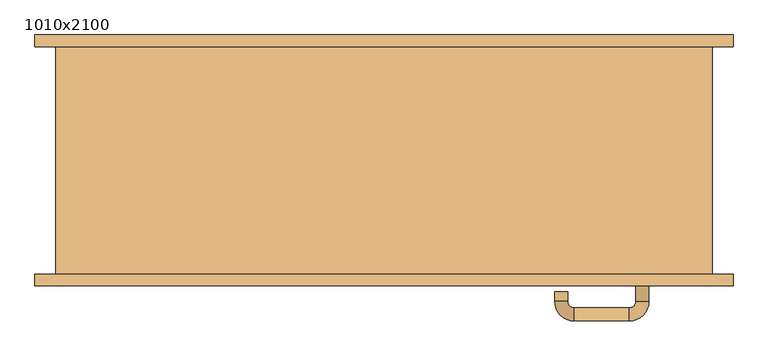
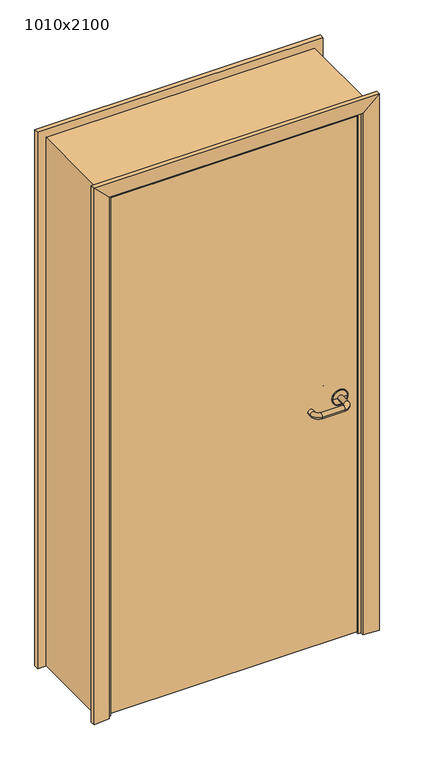
"""IFC4 building model written with IfcOpenShell, lengths in millimetres: door geometry, 1010x2100."""

from ifc_helpers import new_model, si_unit, point, frame, origin, place, context, project, spatial, polyline, circle_curve, ellipse_curve, trimmed, outline, extrude, faceted_brep, source, transform, mapped, element, save
from ifc_brep_helpers import plane_surface, cylinder_surface, revolved_surface, advanced_brep


def door_1010x2100_58f37cdd(model_context):
    return source(origin(), model_context, "Body", "SolidModel", [
        advanced_brep(
        [(407.5389275, -175.0, 965.0), (387.5389275, -175.0, 965.0), (407.5389275, -216.7730895, 965.0), (387.5389275, -216.7730895, 965.0), (377.5389275, -246.7730895, 965.0), (377.5389275, -226.7730895, 965.0), (292.5389265, -246.7730895, 965.0), (292.5389265, -226.7730895, 965.0), (262.5389265, -216.7730895, 965.0), (282.5389265, -216.7730895, 965.0), (262.5389265, -201.7730887, 965.0), (282.5389265, -201.7730887, 965.0)],
        [
            (0, 1, circle_curve(frame((397.5389275, -175.0, 965.0), z_axis=(0.0, 1.0, 0.0), x_axis=(-1.0, 0.0, 0.0)), 10.0)),
            (1, 0, circle_curve(frame((397.5389275, -175.0, 965.0), z_axis=(0.0, 1.0, 0.0), x_axis=(-1.0, 0.0, 0.0)), 10.0)),
            (0, 2),
            (2, 3, circle_curve(frame((397.5389275, -216.7730895, 965.0), z_axis=(0.0, 1.0, 0.0), x_axis=(-1.0, 0.0, 0.0)), 10.0)),
            (3, 1),
            (3, 2, circle_curve(frame((397.5389275, -216.7730895, 965.0), z_axis=(0.0, 1.0, 0.0), x_axis=(-1.0, 0.0, 0.0)), 10.0)),
            (4, 5, circle_curve(frame((377.5389275, -236.7730895, 965.0), z_axis=(1.0, 0.0, 0.0), x_axis=(0.0, 1.0, 0.0)), 10.0)),
            (5, 3, circle_curve(frame((377.5389275, -216.7730895, 965.0), z_axis=(0.0, 0.0, 1.0), x_axis=(1.0, 0.0, 0.0)), 10.0)),
            (2, 4, circle_curve(frame((377.5389275, -216.7730895, 965.0), z_axis=(0.0, 0.0, -1.0), x_axis=(1.0, 0.0, 0.0)), 30.0)),
            (5, 4, circle_curve(frame((377.5389275, -236.7730895, 965.0), z_axis=(1.0, 0.0, 0.0), x_axis=(0.0, 1.0, 0.0)), 10.0)),
            (4, 6),
            (6, 7, circle_curve(frame((292.5389265, -236.7730895, 965.0), z_axis=(1.0, 0.0, 0.0), x_axis=(0.0, 1.0, 0.0)), 10.0)),
            (7, 5),
            (7, 6, circle_curve(frame((292.5389265, -236.7730895, 965.0), z_axis=(1.0, 0.0, 0.0), x_axis=(0.0, 1.0, 0.0)), 10.0)),
            (8, 9, circle_curve(frame((272.5389265, -216.7730895, 965.0), z_axis=(0.0, -1.0, 0.0), x_axis=(1.0, 0.0, 0.0)), 10.0)),
            (9, 7, circle_curve(frame((292.5389265, -216.7730895, 965.0), z_axis=(0.0, 0.0, 1.0), x_axis=(0.0, -1.0, 0.0)), 10.0)),
            (6, 8, circle_curve(frame((292.5389265, -216.7730895, 965.0), z_axis=(0.0, 0.0, -1.0), x_axis=(0.0, -1.0, 0.0)), 30.0)),
            (9, 8, circle_curve(frame((272.5389265, -216.7730895, 965.0), z_axis=(0.0, -1.0, 0.0), x_axis=(1.0, 0.0, 0.0)), 10.0)),
            (10, 11, circle_curve(frame((272.5389265, -201.7730887, 965.0), z_axis=(0.0, 1.0, 0.0), x_axis=(1.0, 0.0, 0.0)), 10.0)),
            (11, 10, circle_curve(frame((272.5389265, -201.7730887, 965.0), z_axis=(0.0, 1.0, 0.0), x_axis=(1.0, 0.0, 0.0)), 10.0)),
            (8, 10),
            (11, 9),
        ],
        [
            plane_surface(frame((397.5389275, -175.0, 965.0), z_axis=(0.0, 1.0, 0.0), x_axis=(0.0, 0.0, 1.0))),
            cylinder_surface(frame((397.5389275, -175.0, 965.0), z_axis=(0.0, 1.0, 0.0), x_axis=(-1.0, 0.0, 0.0)), 10.0),
            revolved_surface(trimmed(ellipse_curve(frame((397.5389275, -216.7730895, 965.0), z_axis=(0.0, -1.0, 0.0), x_axis=(-1.0, 0.0, 0.0)), 10.0, 10.0), [point((387.5389275, -216.7730895, 965.0))], [point((407.5389275, -216.7730895, 965.0))], True, "CARTESIAN"), (377.5389275, -216.7730895, 965.0), (0.0, 0.0, 1.0)),
            revolved_surface(trimmed(ellipse_curve(frame((397.5389275, -216.7730895, 965.0), z_axis=(0.0, -1.0, 0.0), x_axis=(-1.0, 0.0, 0.0)), 10.0, 10.0), [point((407.5389275, -216.7730895, 965.0))], [point((387.5389275, -216.7730895, 965.0))], True, "CARTESIAN"), (377.5389275, -216.7730895, 965.0), (0.0, 0.0, 1.0)),
            cylinder_surface(frame((377.5389275, -236.7730895, 965.0), z_axis=(1.0, 0.0, 0.0), x_axis=(0.0, 1.0, 0.0)), 10.0),
            revolved_surface(trimmed(ellipse_curve(frame((292.5389265, -236.7730895, 965.0), z_axis=(-1.0, 0.0, 0.0), x_axis=(0.0, 1.0, 0.0)), 10.0, 10.0), [point((292.5389265, -226.7730895, 965.0))], [point((292.5389265, -246.7730895, 965.0))], True, "CARTESIAN"), (292.5389265, -216.7730895, 965.0), (0.0, 0.0, 1.0)),
            revolved_surface(trimmed(ellipse_curve(frame((292.5389265, -236.7730895, 965.0), z_axis=(-1.0, 0.0, 0.0), x_axis=(0.0, 1.0, 0.0)), 10.0, 10.0), [point((292.5389265, -246.7730895, 965.0))], [point((292.5389265, -226.7730895, 965.0))], True, "CARTESIAN"), (292.5389265, -216.7730895, 965.0), (0.0, 0.0, 1.0)),
            plane_surface(frame((272.5389265, -201.7730887, 965.0), z_axis=(0.0, 1.0, 0.0), x_axis=(0.0, 0.0, 1.0))),
            cylinder_surface(frame((272.5389265, -216.7730895, 965.0), z_axis=(0.0, -1.0, 0.0), x_axis=(1.0, 0.0, 0.0)), 10.0),
        ],
        [
            (0, [[1, 2]]),
            (1, [[3, 4, 5, -1]]),
            (1, [[-5, 6, -3, -2]]),
            (2, [[7, 8, -4, 9]]),
            (3, [[10, -9, -6, -8]]),
            (4, [[11, 12, 13, -7]]),
            (4, [[-13, 14, -11, -10]]),
            (5, [[15, 16, -12, 17]]),
            (6, [[18, -17, -14, -16]]),
            (7, [[19, 20]]),
            (8, [[21, -20, 22, -15]]),
            (8, [[-22, -19, -21, -18]]),
        ],
    ),
        advanced_brep(
        [(397.5389275, -175.0, 965.0), (427.5389268, -175.0, 965.0), (367.5389281, -175.0, 965.0), (427.5389268, -175.819943, 965.0), (367.5389281, -175.819943, 965.0), (424.5857807, -178.7730891, 965.0), (397.5389275, -178.7730891, 965.0), (370.4920742, -178.7730891, 965.0)],
        [
            (0, 1),
            (1, 2, circle_curve(frame((397.5389275, -175.0, 965.0), z_axis=(0.0, 1.0, 0.0), x_axis=(-1.0, 0.0, 0.0)), 29.9999993)),
            (2, 0),
            (2, 1, circle_curve(frame((397.5389275, -175.0, 965.0), z_axis=(0.0, 1.0, 0.0), x_axis=(-1.0, 0.0, 0.0)), 29.9999993)),
            (1, 3),
            (3, 4, circle_curve(frame((397.5389275, -175.819943, 965.0), z_axis=(0.0, 1.0, 0.0), x_axis=(-1.0, 0.0, 0.0)), 29.9999993)),
            (4, 2),
            (4, 3, circle_curve(frame((397.5389275, -175.819943, 965.0), z_axis=(0.0, 1.0, 0.0), x_axis=(-1.0, 0.0, 0.0)), 29.9999993)),
            (5, 6),
            (6, 7),
            (7, 5, circle_curve(frame((397.5389275, -178.7730891, 965.0), z_axis=(0.0, -1.0, 0.0), x_axis=(-1.0, 0.0, 0.0)), 27.0468532)),
            (5, 7, circle_curve(frame((397.5389275, -178.7730891, 965.0), z_axis=(0.0, -1.0, 0.0), x_axis=(-1.0, 0.0, 0.0)), 27.0468532)),
            (3, 5, circle_curve(frame((424.5857807, -175.819943, 965.0), z_axis=(0.0, 0.0, -1.0), x_axis=(-1.0, 0.0, 0.0)), 2.9531461)),
            (7, 4, circle_curve(frame((370.4920742, -175.819943, 965.0), z_axis=(0.0, 0.0, -1.0), x_axis=(1.0, 0.0, 0.0)), 2.9531461)),
        ],
        [
            plane_surface(frame((397.5389275, -175.0, 965.0), z_axis=(0.0, 1.0, 0.0), x_axis=(-1.0, 0.0, 0.0))),
            cylinder_surface(frame((397.5389275, -175.0, 965.0), z_axis=(0.0, 1.0, 0.0), x_axis=(-1.0, 0.0, 0.0)), 29.9999993),
            plane_surface(frame((397.5389275, -178.7730891, 965.0), z_axis=(0.0, -1.0, 0.0), x_axis=(-1.0, 0.0, 0.0))),
            revolved_surface(trimmed(ellipse_curve(frame((370.4920742, -175.819943, 965.0), z_axis=(0.0, 0.0, -1.0), x_axis=(1.0, 0.0, 0.0)), 2.9531461, 2.9531461), [point((370.4920742, -178.7730891, 965.0))], [point((367.5389281, -175.819943, 965.0))], True, "CARTESIAN"), (397.5389275, -175.0, 965.0), (0.0, 1.0, 0.0)),
        ],
        [
            (0, [[1, 2, 3]]),
            (0, [[-3, 4, -1]]),
            (1, [[5, 6, 7, -2]]),
            (1, [[-7, 8, -5, -4]]),
            (2, [[9, 10, 11]]),
            (2, [[-10, -9, 12]]),
            (3, [[13, -11, 14, -6]]),
            (3, [[-14, -12, -13, -8]]),
        ],
    ),
        advanced_brep(
        [(407.5389275, -135.0, 965.0), (387.5389275, -135.0, 965.0), (387.5389275, -93.2269106, 965.0), (407.5389275, -93.2269106, 965.0), (377.5389275, -83.2269106, 965.0), (377.5389275, -63.2269106, 965.0), (292.5389265, -83.2269106, 965.0), (292.5389265, -63.2269106, 965.0), (282.5389265, -93.2269106, 965.0), (262.5389265, -93.2269106, 965.0), (262.5389265, -108.2269113, 965.0), (282.5389265, -108.2269113, 965.0)],
        [
            (0, 1, circle_curve(frame((397.5389275, -135.0, 965.0), z_axis=(0.0, -1.0, 0.0), x_axis=(-1.0, 0.0, 0.0)), 10.0)),
            (1, 0, circle_curve(frame((397.5389275, -135.0, 965.0), z_axis=(0.0, -1.0, 0.0), x_axis=(-1.0, 0.0, 0.0)), 10.0)),
            (1, 2),
            (2, 3, circle_curve(frame((397.5389275, -93.2269106, 965.0), z_axis=(0.0, -1.0, 0.0), x_axis=(-1.0, 0.0, 0.0)), 10.0)),
            (3, 0),
            (3, 2, circle_curve(frame((397.5389275, -93.2269106, 965.0), z_axis=(0.0, -1.0, 0.0), x_axis=(-1.0, 0.0, 0.0)), 10.0)),
            (4, 5, circle_curve(frame((377.5389275, -73.2269106, 965.0), z_axis=(1.0, 0.0, 0.0), x_axis=(0.0, -1.0, 0.0)), 10.0)),
            (5, 3, circle_curve(frame((377.5389275, -93.2269106, 965.0), z_axis=(0.0, 0.0, -1.0), x_axis=(1.0, 0.0, 0.0)), 30.0)),
            (2, 4, circle_curve(frame((377.5389275, -93.2269106, 965.0), z_axis=(0.0, 0.0, 1.0), x_axis=(1.0, 0.0, 0.0)), 10.0)),
            (5, 4, circle_curve(frame((377.5389275, -73.2269106, 965.0), z_axis=(1.0, 0.0, 0.0), x_axis=(0.0, -1.0, 0.0)), 10.0)),
            (4, 6),
            (6, 7, circle_curve(frame((292.5389265, -73.2269106, 965.0), z_axis=(1.0, 0.0, 0.0), x_axis=(0.0, -1.0, 0.0)), 10.0)),
            (7, 5),
            (7, 6, circle_curve(frame((292.5389265, -73.2269106, 965.0), z_axis=(1.0, 0.0, 0.0), x_axis=(0.0, -1.0, 0.0)), 10.0)),
            (8, 9, circle_curve(frame((272.5389265, -93.2269106, 965.0), z_axis=(0.0, 1.0, 0.0), x_axis=(1.0, 0.0, 0.0)), 10.0)),
            (9, 7, circle_curve(frame((292.5389265, -93.2269106, 965.0), z_axis=(0.0, 0.0, -1.0), x_axis=(0.0, 1.0, 0.0)), 30.0)),
            (6, 8, circle_curve(frame((292.5389265, -93.2269106, 965.0), z_axis=(0.0, 0.0, 1.0), x_axis=(0.0, 1.0, 0.0)), 10.0)),
            (9, 8, circle_curve(frame((272.5389265, -93.2269106, 965.0), z_axis=(0.0, 1.0, 0.0), x_axis=(1.0, 0.0, 0.0)), 10.0)),
            (10, 11, circle_curve(frame((272.5389265, -108.2269113, 965.0), z_axis=(0.0, -1.0, 0.0), x_axis=(1.0, 0.0, 0.0)), 10.0)),
            (11, 10, circle_curve(frame((272.5389265, -108.2269113, 965.0), z_axis=(0.0, -1.0, 0.0), x_axis=(1.0, 0.0, 0.0)), 10.0)),
            (8, 11),
            (10, 9),
        ],
        [
            plane_surface(frame((397.5389275, -135.0, 965.0), z_axis=(0.0, -1.0, 0.0), x_axis=(0.0, 0.0, 1.0))),
            cylinder_surface(frame((397.5389275, -135.0, 965.0), z_axis=(0.0, -1.0, 0.0), x_axis=(-1.0, 0.0, 0.0)), 10.0),
            revolved_surface(trimmed(ellipse_curve(frame((397.5389275, -93.2269106, 965.0), z_axis=(0.0, 1.0, 0.0), x_axis=(-1.0, 0.0, 0.0)), 10.0, 10.0), [point((407.5389275, -93.2269106, 965.0))], [point((387.5389275, -93.2269106, 965.0))], True, "CARTESIAN"), (377.5389275, -93.2269106, 965.0), (0.0, 0.0, -1.0)),
            revolved_surface(trimmed(ellipse_curve(frame((397.5389275, -93.2269106, 965.0), z_axis=(0.0, 1.0, 0.0), x_axis=(-1.0, 0.0, 0.0)), 10.0, 10.0), [point((387.5389275, -93.2269106, 965.0))], [point((407.5389275, -93.2269106, 965.0))], True, "CARTESIAN"), (377.5389275, -93.2269106, 965.0), (0.0, 0.0, -1.0)),
            cylinder_surface(frame((377.5389275, -73.2269106, 965.0), z_axis=(1.0, 0.0, 0.0), x_axis=(0.0, -1.0, 0.0)), 10.0),
            revolved_surface(trimmed(ellipse_curve(frame((292.5389265, -73.2269106, 965.0), z_axis=(-1.0, 0.0, 0.0), x_axis=(0.0, -1.0, 0.0)), 10.0, 10.0), [point((292.5389265, -63.2269106, 965.0))], [point((292.5389265, -83.2269106, 965.0))], True, "CARTESIAN"), (292.5389265, -93.2269106, 965.0), (0.0, 0.0, -1.0)),
            revolved_surface(trimmed(ellipse_curve(frame((292.5389265, -73.2269106, 965.0), z_axis=(-1.0, 0.0, 0.0), x_axis=(0.0, -1.0, 0.0)), 10.0, 10.0), [point((292.5389265, -83.2269106, 965.0))], [point((292.5389265, -63.2269106, 965.0))], True, "CARTESIAN"), (292.5389265, -93.2269106, 965.0), (0.0, 0.0, -1.0)),
            plane_surface(frame((272.5389265, -108.2269113, 965.0), z_axis=(0.0, -1.0, 0.0), x_axis=(0.0, 0.0, 1.0))),
            cylinder_surface(frame((272.5389265, -93.2269106, 965.0), z_axis=(0.0, 1.0, 0.0), x_axis=(1.0, 0.0, 0.0)), 10.0),
        ],
        [
            (0, [[1, 2]]),
            (1, [[3, 4, 5, -2]]),
            (1, [[-5, 6, -3, -1]]),
            (2, [[7, 8, -4, 9]]),
            (3, [[10, -9, -6, -8]]),
            (4, [[11, 12, 13, -7]]),
            (4, [[-13, 14, -11, -10]]),
            (5, [[15, 16, -12, 17]]),
            (6, [[18, -17, -14, -16]]),
            (7, [[19, 20]]),
            (8, [[21, -19, 22, -15]]),
            (8, [[-22, -20, -21, -18]]),
        ],
    ),
        advanced_brep(
        [(427.5389268, -135.0, 965.0), (397.5389275, -135.0, 965.0), (367.5389281, -135.0, 965.0), (427.5389268, -134.180057, 965.0), (367.5389281, -134.180057, 965.0), (397.5389275, -131.2269109, 965.0), (424.5857807, -131.2269109, 965.0), (370.4920742, -131.2269109, 965.0)],
        [
            (0, 1),
            (1, 2),
            (2, 0, circle_curve(frame((397.5389275, -135.0, 965.0), z_axis=(0.0, -1.0, 0.0), x_axis=(-1.0, 0.0, 0.0)), 29.9999993)),
            (0, 2, circle_curve(frame((397.5389275, -135.0, 965.0), z_axis=(0.0, -1.0, 0.0), x_axis=(-1.0, 0.0, 0.0)), 29.9999993)),
            (3, 0),
            (2, 4),
            (4, 3, circle_curve(frame((397.5389275, -134.180057, 965.0), z_axis=(0.0, -1.0, 0.0), x_axis=(-1.0, 0.0, 0.0)), 29.9999993)),
            (3, 4, circle_curve(frame((397.5389275, -134.180057, 965.0), z_axis=(0.0, -1.0, 0.0), x_axis=(-1.0, 0.0, 0.0)), 29.9999993)),
            (5, 6),
            (6, 7, circle_curve(frame((397.5389275, -131.2269109, 965.0), z_axis=(0.0, 1.0, 0.0), x_axis=(-1.0, 0.0, 0.0)), 27.0468532)),
            (7, 5),
            (7, 6, circle_curve(frame((397.5389275, -131.2269109, 965.0), z_axis=(0.0, 1.0, 0.0), x_axis=(-1.0, 0.0, 0.0)), 27.0468532)),
            (6, 3, circle_curve(frame((424.5857807, -134.180057, 965.0), z_axis=(0.0, 0.0, -1.0), x_axis=(-1.0, 0.0, 0.0)), 2.9531461)),
            (4, 7, circle_curve(frame((370.4920742, -134.180057, 965.0), z_axis=(0.0, 0.0, -1.0), x_axis=(1.0, 0.0, 0.0)), 2.9531461)),
        ],
        [
            plane_surface(frame((397.5389275, -135.0, 965.0), z_axis=(0.0, -1.0, 0.0), x_axis=(-1.0, 0.0, 0.0))),
            cylinder_surface(frame((397.5389275, -135.0, 965.0), z_axis=(0.0, 1.0, 0.0), x_axis=(-1.0, 0.0, 0.0)), 29.9999993),
            plane_surface(frame((397.5389275, -131.2269109, 965.0), z_axis=(0.0, 1.0, 0.0), x_axis=(-1.0, 0.0, 0.0))),
            revolved_surface(trimmed(ellipse_curve(frame((370.4920742, -134.180057, 965.0), z_axis=(0.0, 0.0, -1.0), x_axis=(1.0, 0.0, 0.0)), 2.9531461, 2.9531461), [point((367.5389281, -134.180057, 965.0))], [point((370.4920742, -131.2269109, 965.0))], True, "CARTESIAN"), (397.5389275, -135.0, 965.0), (0.0, 1.0, 0.0)),
        ],
        [
            (0, [[1, 2, 3]]),
            (0, [[-2, -1, 4]]),
            (1, [[5, -3, 6, 7]]),
            (1, [[-6, -4, -5, 8]]),
            (2, [[9, 10, 11]]),
            (2, [[-11, 12, -9]]),
            (3, [[13, -7, 14, -10]]),
            (3, [[-14, -8, -13, -12]]),
        ],
    ),
        extrude(outline(polyline([(462.5389275, -175.0), (-462.538929, -175.0), (-462.538929, -135.0), (462.5389275, -135.0), (462.5389275, -175.0)])), frame((0.0, 0.0, 10.0), z_axis=(0.0, 0.0, 1.0), x_axis=(1.0, 0.0, 0.0)), (0.0, 0.0, 1.0), 2047.0),
        advanced_brep(
        [(505.0, 175.0, 0.0), (505.0, -175.0, 0.0), (465.0389382, -175.0, 0.0), (465.0389382, -132.9643213, 0.0), (452.938932, -132.9643213, 0.0), (452.938932, -95.0651318, 0.0), (459.0397424, -88.9643215, 0.0), (465.0389382, -88.9643215, 0.0), (465.0389382, 175.0, 0.0), (465.0389382, 175.0, 2060.0389382), (-465.0389382, 175.0, 2060.0389382), (-465.0389382, 175.0, 0.0), (-505.0, 175.0, 0.0), (-505.0, 175.0, 2100.0), (505.0, 175.0, 2100.0), (465.0389382, -88.9643215, 2060.0389382), (459.0397424, -88.9643215, 2054.0397424), (-459.0397424, -88.9643215, 2054.0397424), (-459.0397424, -88.9643215, 0.0), (-465.0389382, -88.9643215, 0.0), (-465.0389382, -88.9643215, 2060.0389382), (452.938932, -95.0651318, 2047.938932), (452.938932, -132.9643213, 2047.938932), (465.0389382, -132.9643213, 2060.0389382), (-465.0389382, -132.9643213, 2060.0389382), (-465.0389382, -132.9643213, 0.0), (-452.938932, -132.9643213, 0.0), (-452.938932, -132.9643213, 2047.938932), (465.0389382, -175.0, 2060.0389382), (505.0, -175.0, 2100.0), (-452.938932, -95.0651318, 2047.938932), (-465.0389382, -175.0, 2060.0389382), (-505.0, -175.0, 2100.0), (-452.938932, -95.0651318, 0.0), (-465.0389382, -175.0, 0.0), (-505.0, -175.0, 0.0)],
        [
            (0, 1),
            (1, 2),
            (2, 3),
            (3, 4),
            (4, 5),
            (5, 6, circle_curve(frame((459.0397424, -95.0651318, 0.0), z_axis=(0.0, 0.0, -1.0), x_axis=(-1.0, 0.0, 0.0)), 6.1008103)),
            (6, 7),
            (7, 8),
            (8, 0),
            (8, 9),
            (9, 10),
            (10, 11),
            (11, 12),
            (12, 13),
            (13, 14),
            (14, 0),
            (7, 15),
            (15, 9),
            (6, 16),
            (16, 17),
            (17, 18),
            (18, 19),
            (19, 20),
            (20, 15),
            (5, 21),
            (21, 16, ellipse_curve(frame((459.0397424, -95.0651318, 2054.0397424), z_axis=(0.7071067811865475, 0.0, -0.7071067811865475), x_axis=(-0.7071067811865474, 0.0, -0.7071067811865476)), 8.6278487, 6.1008103)),
            (4, 22),
            (22, 21),
            (3, 23),
            (23, 24),
            (24, 25),
            (25, 26),
            (26, 27),
            (27, 22),
            (2, 28),
            (28, 23),
            (14, 29),
            (29, 1),
            (20, 10),
            (21, 30),
            (30, 17, ellipse_curve(frame((-459.0397424, -95.0651318, 2054.0397424), z_axis=(0.7071067811865475, 0.0, 0.7071067811865475), x_axis=(0.7071067811865476, 0.0, -0.7071067811865474)), 8.6278487, 6.1008103)),
            (27, 30),
            (28, 31),
            (31, 24),
            (13, 32),
            (32, 29),
            (11, 19),
            (18, 33, circle_curve(frame((-459.0397424, -95.0651318, 0.0), z_axis=(0.0, 0.0, -1.0), x_axis=(1.0, 0.0, 0.0)), 6.1008103)),
            (33, 26),
            (25, 34),
            (34, 35),
            (35, 12),
            (30, 33),
            (31, 34),
            (35, 32),
        ],
        [
            plane_surface(frame((505.0, -175.0, 0.0), z_axis=(0.0, 0.0, -1.0), x_axis=(0.0, 1.0, 0.0))),
            plane_surface(frame((505.0, 175.0, 0.0), z_axis=(0.0, 1.0, 0.0), x_axis=(0.0, 0.0, 1.0))),
            plane_surface(frame((465.0389382, 175.0, 0.0), z_axis=(-1.0, 0.0, 0.0), x_axis=(0.0, 0.0, 1.0))),
            plane_surface(frame((465.0389382, -88.9643215, 0.0), z_axis=(0.0, 1.0, 0.0), x_axis=(0.0, 0.0, 1.0))),
            cylinder_surface(frame((459.0397424, -95.0651318, 0.0), z_axis=(0.0, 0.0, -1.0), x_axis=(-1.0, 0.0, 0.0)), 6.1008103),
            plane_surface(frame((452.938932, -95.0651318, 0.0), z_axis=(-1.0, 0.0, 0.0), x_axis=(0.0, 0.0, 1.0))),
            plane_surface(frame((452.938932, -132.9643213, 0.0), z_axis=(0.0, -1.0, 0.0), x_axis=(0.0, 0.0, 1.0))),
            plane_surface(frame((465.0389382, -132.9643213, 0.0), z_axis=(-1.0, 0.0, 0.0), x_axis=(0.0, 0.0, 1.0))),
            plane_surface(frame((505.0, -175.0, 0.0), z_axis=(1.0, 0.0, 0.0), x_axis=(0.0, 0.0, 1.0))),
            plane_surface(frame((465.0389382, 175.0, 2060.0389382), z_axis=(0.0, 0.0, -1.0), x_axis=(-1.0, 0.0, 0.0))),
            cylinder_surface(frame((505.0, -95.0651318, 2054.0397424), z_axis=(1.0, 0.0, 0.0), x_axis=(0.0, 0.0, -1.0)), 6.1008103),
            plane_surface(frame((452.938932, -95.0651318, 2047.938932), z_axis=(0.0, 0.0, -1.0), x_axis=(-1.0, 0.0, 0.0))),
            plane_surface(frame((465.0389382, -132.9643213, 2060.0389382), z_axis=(0.0, 0.0, -1.0), x_axis=(-1.0, 0.0, 0.0))),
            plane_surface(frame((505.0, -175.0, 2100.0), z_axis=(0.0, 0.0, 1.0), x_axis=(-1.0, 0.0, 0.0))),
            plane_surface(frame((-505.0, -175.0, 0.0), z_axis=(0.0, 0.0, -1.0), x_axis=(0.0, 1.0, 0.0))),
            plane_surface(frame((-465.0389382, 175.0, 2060.0389382), z_axis=(1.0, 0.0, 0.0), x_axis=(0.0, 0.0, -1.0))),
            cylinder_surface(frame((-459.0397424, -95.0651318, 2100.0), z_axis=(0.0, 0.0, 1.0), x_axis=(1.0, 0.0, 0.0)), 6.1008103),
            plane_surface(frame((-452.938932, -95.0651318, 2047.938932), z_axis=(1.0, 0.0, 0.0), x_axis=(0.0, 0.0, -1.0))),
            plane_surface(frame((-465.0389382, -132.9643213, 2060.0389382), z_axis=(1.0, 0.0, 0.0), x_axis=(0.0, 0.0, -1.0))),
            plane_surface(frame((-505.0, -175.0, 2100.0), z_axis=(-1.0, 0.0, 0.0), x_axis=(0.0, 0.0, -1.0))),
            plane_surface(frame((465.0389382, -175.0, 0.0), z_axis=(0.0, -1.0, 0.0), x_axis=(0.0, 0.0, 1.0))),
        ],
        [
            (0, [[1, 2, 3, 4, 5, 6, 7, 8, 9]]),
            (1, [[10, 11, 12, 13, 14, 15, 16, -9]]),
            (2, [[17, 18, -10, -8]]),
            (3, [[19, 20, 21, 22, 23, 24, -17, -7]]),
            (4, [[25, 26, -19, -6]]),
            (5, [[27, 28, -25, -5]]),
            (6, [[29, 30, 31, 32, 33, 34, -27, -4]]),
            (7, [[35, 36, -29, -3]]),
            (8, [[-16, 37, 38, -1]]),
            (9, [[-24, 39, -11, -18]]),
            (10, [[40, 41, -20, -26]]),
            (11, [[-34, 42, -40, -28]]),
            (12, [[43, 44, -30, -36]]),
            (13, [[-15, 45, 46, -37]]),
            (14, [[-13, 47, -22, 48, 49, -32, 50, 51, 52]]),
            (15, [[-23, -47, -12, -39]]),
            (16, [[53, -48, -21, -41]]),
            (17, [[-33, -49, -53, -42]]),
            (18, [[54, -50, -31, -44]]),
            (19, [[-14, -52, 55, -45]]),
            (20, [[-38, -46, -55, -51, -54, -43, -35, -2]]),
        ],
    ),
        faceted_brep([(-537.0361788, 192.9999998, 0.0), (-477.0362074, 186.9999981, 0.0), (-477.0362074, 175.0, 0.0), (-537.0361788, 175.0, 0.0), (-537.0361788, 192.9999998, 2131.499963), (-477.0362074, 186.9999981, 2071.4999916), (-477.0362074, 175.0, 2071.4999916), (477.0362074, 175.0, 2071.4999916), (477.0362074, 175.0, 0.0), (537.0361788, 175.0, 0.0), (537.0361788, 175.0, 2131.499963), (-537.0361788, 175.0, 2131.499963), (537.0361788, 192.9999998, 2131.499963), (477.0362074, 186.9999981, 2071.4999916), (537.0361788, 192.9999998, 0.0), (477.0362074, 186.9999981, 0.0)], [[[0, 1, 2, 3]], [[0, 4, 5, 1]], [[1, 5, 6, 2]], [[2, 6, 7, 8, 9, 10, 11, 3]], [[3, 11, 4, 0]], [[4, 12, 13, 5]], [[5, 13, 7, 6]], [[11, 10, 12, 4]], [[14, 9, 8, 15]], [[12, 14, 15, 13]], [[13, 15, 8, 7]], [[10, 9, 14, 12]]]),
        faceted_brep([(-537.0361788, -192.9999998, 0.0), (-537.0361788, -175.0, 0.0), (-477.0362074, -175.0, 0.0), (-477.0362074, -186.9999981, 0.0), (-477.0362074, -186.9999981, 2071.4999916), (-537.0361788, -192.9999998, 2131.499963), (-537.0361788, -175.0, 2131.499963), (537.0361788, -175.0, 2131.499963), (537.0361788, -175.0, 0.0), (477.0362074, -175.0, 0.0), (477.0362074, -175.0, 2071.4999916), (-477.0362074, -175.0, 2071.4999916), (477.0362074, -186.9999981, 2071.4999916), (537.0361788, -192.9999998, 2131.499963), (537.0361788, -192.9999998, 0.0), (477.0362074, -186.9999981, 0.0)], [[[0, 1, 2, 3]], [[3, 4, 5, 0]], [[1, 6, 7, 8, 9, 10, 11, 2]], [[0, 5, 6, 1]], [[4, 12, 13, 5]], [[5, 13, 7, 6]], [[14, 15, 9, 8]], [[12, 15, 14, 13]], [[13, 14, 8, 7]], [[2, 11, 4, 3]], [[11, 10, 12, 4]], [[10, 9, 15, 12]]]),
    ])


if __name__ == "__main__":
    model = new_model("IFC4")
    model_context = context("Model", 3, world=origin())
    ifc_project = project(units=[si_unit("LENGTHUNIT", "METRE", prefix="MILLI")], contexts=[model_context])
    site = spatial("IfcSite", under=ifc_project)
    building = spatial("IfcBuilding", under=site)
    placement = place(None, origin())
    door_1010x2100_shape = door_1010x2100_58f37cdd(model_context)
    element("IfcDoor", 1, ObjectType="1010x2100", at=placement, inside=building, context=model_context, shape_type="MappedRepresentation", body=[
        mapped(door_1010x2100_shape, transform((0.0, 0.0, 0.0), x_axis=(1.0, 0.0, 0.0), y_axis=(0.0, 1.0, 0.0), z_axis=(0.0, 0.0, 1.0))),
    ])
    save(model, "model.ifc")
